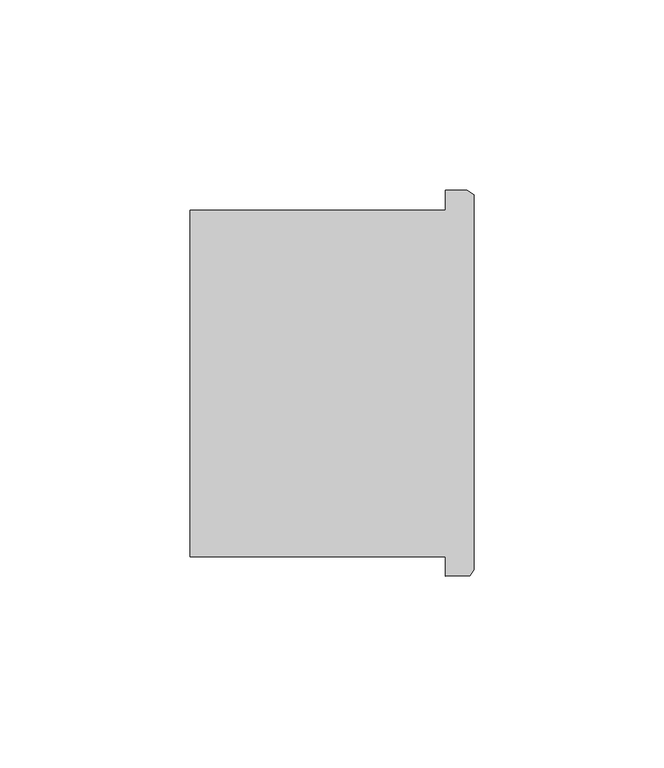
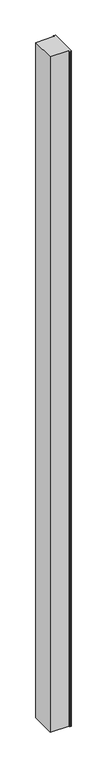
"""IFC4 building model written with IfcOpenShell, lengths in millimetres: column geometry."""

from ifc_helpers import new_model, si_unit, frame, origin, place, context, project, spatial, polyline, outline, extrude, source, transform, mapped, element, save


def column_0cce15c7(model_context):
    return source(origin(), model_context, "Body", "SweptSolid", [
        extrude(outline(polyline([(44126.6398898, -50743.8855834), (44126.6398898, -50738.7882352), (44059.3509718, -50738.7882352), (44059.3509718, -50647.5783084), (44126.6398898, -50647.5783084), (44126.6398898, -50642.2855834), (44132.3325632, -50642.2855834), (44134.0998952, -50643.5165182), (44134.0998952, -50742.2391808), (44133.0209032, -50743.7243696), (44126.6398898, -50743.8855834)])), frame((0.0, 0.0, 4419.602032), z_axis=(0.0, 0.0, 1.0), x_axis=(1.0, 0.0, 0.0)), (0.0, 0.0, 1.0), 2590.7999486),
        extrude(outline(polyline([(44126.6398898, -50743.8855834), (44126.6398898, -50738.7882352), (44059.3509718, -50738.7882352), (44059.3509718, -50647.5783084), (44126.6398898, -50647.5783084), (44126.6398898, -50642.2855834), (44132.3325632, -50642.2855834), (44134.0998952, -50643.5165182), (44134.0998952, -50742.2391808), (44133.0209032, -50743.7243696), (44126.6398898, -50743.8855834)])), frame((0.0, 0.0, 4419.602032), z_axis=(0.0, 0.0, 1.0), x_axis=(1.0, 0.0, 0.0)), (0.0, 0.0, 1.0), 2590.7999486),
    ])


if __name__ == "__main__":
    model = new_model("IFC4")
    model_context = context("Model", 3, world=origin())
    ifc_project = project(units=[si_unit("LENGTHUNIT", "METRE", prefix="MILLI")], contexts=[model_context])
    site = spatial("IfcSite", under=ifc_project)
    building = spatial("IfcBuilding", under=site)
    placement = place(None, origin())
    column_shape = column_0cce15c7(model_context)
    element("IfcColumn", 1, at=placement, inside=building, context=model_context, shape_type="MappedRepresentation", body=[
        mapped(column_shape, transform((0.0, 0.0, 0.0), x_axis=(1.0, 0.0, 0.0), y_axis=(0.0, 1.0, 0.0), z_axis=(0.0, 0.0, 1.0))),
    ])
    save(model, "model.ifc")
